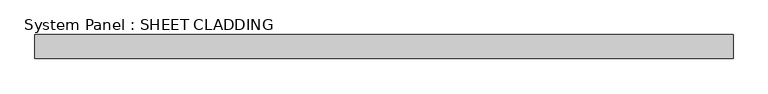
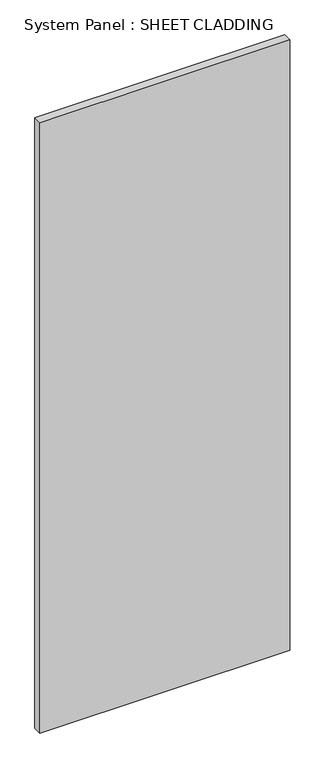
"""IFC4 building model written with IfcOpenShell, lengths in millimetres: plate geometry, System Panel : SHEET CLADDING."""

import ifcopenshell
import ifcopenshell.guid

model = None  # the IFC model being written
_history = None  # IfcOwnerHistory: only IFC2X3 demands one
_inside = {}  # id of a spatial element -> (the spatial element, [elements in it])
_under = {}  # id of a project, library or spatial element -> (it, [spatial elements below it])
_declared = {}  # id of a project -> (the project, [libraries it declares])
_typed = {}  # id of a type object -> (the type object, [elements of that type])
_made_of = {}  # id of a material, layer set ... -> (it, [elements and type objects made of it])


def new_model(schema):
    """Start an empty IFC model of exactly this schema.

    Asked for "IFC4X3", IfcOpenShell would pick the latest addendum, in which some entities
    have other attributes; the version numbers below select the first issue.
    IFC2X3 requires an IfcOwnerHistory on every rooted entity: one is made here for all.
    """
    global model, _history
    if schema == "IFC4X3":
        model = ifcopenshell.file(schema_version=(4, 3, 0, 0))
    else:
        model = ifcopenshell.file(schema=schema)
    _inside.clear()
    _under.clear()
    _declared.clear()
    _typed.clear()
    _made_of.clear()
    _history = None
    if model.schema == "IFC2X3":
        org = make("IfcOrganization", Name="unknown")
        user = make(
            "IfcPersonAndOrganization",
            ThePerson=make("IfcPerson", FamilyName="unknown"),
            TheOrganization=org,
        )
        app = make(
            "IfcApplication",
            ApplicationDeveloper=org,
            Version="unknown",
            ApplicationFullName="unknown",
            ApplicationIdentifier="unknown",
        )
        _history = make(
            "IfcOwnerHistory",
            OwningUser=user,
            OwningApplication=app,
            ChangeAction="ADDED",
            CreationDate=0,
        )
    return model


def make(cls, **values):
    """One entity of the class cls with the attributes given. An attribute that is None is left unset."""
    return model.create_entity(
        cls, **{name: value for name, value in values.items() if value is not None}
    )


def rooted(cls, **values):
    """An entity with a GlobalId (a new one), such as an element, a storey or a relation."""
    return make(cls, GlobalId=ifcopenshell.guid.new(), OwnerHistory=_history, **values)


def si_unit(unit_type, name, prefix=None):
    """IfcSIUnit, for example si_unit("LENGTHUNIT", "METRE", prefix="MILLI")."""
    return make("IfcSIUnit", UnitType=unit_type, Prefix=prefix, Name=name)


def assignment(units):
    """IfcUnitAssignment: the units of a project."""
    return None if units is None else make("IfcUnitAssignment", Units=units)


def point(xyz):
    """IfcCartesianPoint."""
    return None if xyz is None else make("IfcCartesianPoint", Coordinates=xyz)


def direction(xyz):
    """IfcDirection."""
    return None if xyz is None else make("IfcDirection", DirectionRatios=xyz)


def frame(location, z_axis=None, x_axis=None):
    """IfcAxis2Placement3D, a coordinate frame: its origin and axes. An axis left out is left unset."""
    return make(
        "IfcAxis2Placement3D",
        Location=point(location),
        Axis=direction(z_axis),
        RefDirection=direction(x_axis),
    )


def origin():
    """The frame at (0, 0, 0) with its axes left unset."""
    return frame((0.0, 0.0, 0.0))


def origin_with_axes():
    """The frame at (0, 0, 0) with the z axis (0, 0, 1) and the x axis (1, 0, 0) written out."""
    return frame((0.0, 0.0, 0.0), z_axis=(0.0, 0.0, 1.0), x_axis=(1.0, 0.0, 0.0))


def place(relative_to, where):
    """IfcLocalPlacement: puts the frame where relative to a parent placement (None: the world)."""
    return make(
        "IfcLocalPlacement", PlacementRelTo=relative_to, RelativePlacement=where
    )


def context(
    kind, dimensions, precision=None, world=None, true_north=None, identifier=None
):
    """IfcGeometricRepresentationContext, for example the 3D "Model" context."""
    return make(
        "IfcGeometricRepresentationContext",
        ContextIdentifier=identifier,
        ContextType=kind,
        CoordinateSpaceDimension=dimensions,
        Precision=precision,
        WorldCoordinateSystem=world,
        TrueNorth=true_north,
    )


def project(units=None, contexts=None):
    """IfcProject with its units and contexts."""
    return rooted(
        "IfcProject",
        Name="project",
        RepresentationContexts=contexts,
        UnitsInContext=assignment(units),
    )


def spatial(cls, under=None, at=None, **own):
    """A site, building, storey or space (cls), placed at a placement, below another one or the project."""
    s = rooted(cls, ObjectPlacement=at, **own)
    if under is not None:
        _under.setdefault(under.id(), (under, []))[1].append(s)
    return s


def polyline(points):
    """IfcPolyline through the points."""
    return make("IfcPolyline", Points=[point(p) for p in points])


def outline(outer, holes=None, kind="AREA"):
    """IfcArbitraryClosedProfileDef: a profile drawn as a closed curve; with holes, ...WithVoids."""
    if holes is None:
        return make("IfcArbitraryClosedProfileDef", ProfileType=kind, OuterCurve=outer)
    return make(
        "IfcArbitraryProfileDefWithVoids",
        ProfileType=kind,
        OuterCurve=outer,
        InnerCurves=holes,
    )


def extrude(swept, where, along, depth):
    """IfcExtrudedAreaSolid: the profile swept, set in the frame where, extruded along a direction by depth."""
    return make(
        "IfcExtrudedAreaSolid",
        SweptArea=swept,
        Position=where,
        ExtrudedDirection=direction(along),
        Depth=depth,
    )


def shape(context_of_items, identifier, shape_type, items):
    """IfcShapeRepresentation: the items that make up one representation, for example the "Body"."""
    return make(
        "IfcShapeRepresentation",
        ContextOfItems=context_of_items,
        RepresentationIdentifier=identifier,
        RepresentationType=shape_type,
        Items=items,
    )


def source(mapping_origin, context_of_items, identifier, shape_type, items):
    """IfcRepresentationMap: a shape defined once, which mapped items show again and again."""
    return make(
        "IfcRepresentationMap",
        MappingOrigin=mapping_origin,
        MappedRepresentation=shape(context_of_items, identifier, shape_type, items),
    )


def transform(
    local_origin,
    x_axis=None,
    y_axis=None,
    z_axis=None,
    scale=None,
    scale2=None,
    scale3=None,
    uniform=True,
):
    """IfcCartesianTransformationOperator3D, or its non-uniform kind. x_axis, y_axis, z_axis: its Axis1, 2, 3."""
    if uniform:
        return make(
            "IfcCartesianTransformationOperator3D",
            Axis1=direction(x_axis),
            Axis2=direction(y_axis),
            LocalOrigin=point(local_origin),
            Scale=scale,
            Axis3=direction(z_axis),
        )
    return make(
        "IfcCartesianTransformationOperator3DnonUniform",
        Axis1=direction(x_axis),
        Axis2=direction(y_axis),
        LocalOrigin=point(local_origin),
        Scale=scale,
        Axis3=direction(z_axis),
        Scale2=scale2,
        Scale3=scale3,
    )


def mapped(mapping_source, mapping_target):
    """IfcMappedItem: shows the shape of a source again, moved by a transform."""
    return make(
        "IfcMappedItem", MappingSource=mapping_source, MappingTarget=mapping_target
    )


def made_of(thing, what):
    """Note that an element or type object is made of a material, layer set ...; save() writes the relation."""
    if what is not None:
        _made_of.setdefault(what.id(), (what, []))[1].append(thing)
    return thing


def element(
    cls,
    number,
    at=None,
    inside=None,
    cuts=None,
    type_object=None,
    material=None,
    context=None,
    identifier="Body",
    shape_type=None,
    held_by="IfcProductDefinitionShape",
    body=None,
    shapes=None,
    **own,
):
    """One element of the class cls, such as IfcWall. Its Tag is "e" and its number.

    at: its placement. inside: the storey or other place that contains it. cuts: it is an
    opening in that element (IfcRelVoidsElement). A single representation is given by context,
    identifier, shape_type and body (its items); several are given by shapes. held_by: the class
    of the entity that holds the representations. save() writes the other relations.
    """
    e = rooted(cls, Tag="e%d" % number, ObjectPlacement=at, **own)
    if body is not None:
        shapes = [shape(context, identifier, shape_type, body)]
    if shapes is not None:
        e.Representation = make(held_by, Representations=shapes)
    if inside is not None:
        _inside.setdefault(inside.id(), (inside, []))[1].append(e)
    if cuts is not None:
        rooted(
            "IfcRelVoidsElement", RelatingBuildingElement=cuts, RelatedOpeningElement=e
        )
    if type_object is not None:
        _typed.setdefault(type_object.id(), (type_object, []))[1].append(e)
    return made_of(e, material)


def aggregate(whole, parts):
    """IfcRelAggregates: a whole, such as a stair, and the parts it consists of."""
    return rooted("IfcRelAggregates", RelatingObject=whole, RelatedObjects=parts)


def save(model, path):
    """Write the relations noted so far, then the file.

    IfcRelAggregates (storeys below a building ...), IfcRelContainedInSpatialStructure (elements
    in a storey), IfcRelDefinesByType, IfcRelAssociatesMaterial and IfcRelDeclares: one each for
    every whole, place, type object, material and project.
    """
    for whole, parts in _under.values():
        aggregate(whole, parts)
    for where, things in _inside.values():
        rooted(
            "IfcRelContainedInSpatialStructure",
            RelatedElements=things,
            RelatingStructure=where,
        )
    for kind, things in _typed.values():
        rooted("IfcRelDefinesByType", RelatedObjects=things, RelatingType=kind)
    for what, things in _made_of.values():
        rooted("IfcRelAssociatesMaterial", RelatedObjects=things, RelatingMaterial=what)
    for by, libraries in _declared.values():
        rooted("IfcRelDeclares", RelatingContext=by, RelatedDefinitions=libraries)
    model.write(path)


def system_panel_sheet_cladding_4fa385e6(model_context):
    return source(origin(), model_context, "Body", "SweptSolid", [
        extrude(outline(polyline([(871.7083333, -49.5), (-871.7083333, -49.5), (-871.7083333, 10.5), (871.7083333, 10.5), (871.7083333, -49.5)])), origin_with_axes(), (0.0, 0.0, 1.0), 4500.0),
    ])


if __name__ == "__main__":
    model = new_model("IFC4")
    model_context = context("Model", 3, world=origin())
    ifc_project = project(units=[si_unit("LENGTHUNIT", "METRE", prefix="MILLI")], contexts=[model_context])
    site = spatial("IfcSite", under=ifc_project)
    building = spatial("IfcBuilding", under=site)
    placement = place(None, origin())
    system_panel_sheet_cladding_shape = system_panel_sheet_cladding_4fa385e6(model_context)
    element("IfcPlate", 1, ObjectType="System Panel : SHEET CLADDING", at=placement, inside=building, context=model_context, shape_type="MappedRepresentation", body=[
        mapped(system_panel_sheet_cladding_shape, transform((0.0, 0.0, 0.0), x_axis=(1.0, 0.0, 0.0), y_axis=(0.0, 1.0, 0.0), z_axis=(0.0, 0.0, 1.0))),
    ])
    save(model, "model.ifc")
